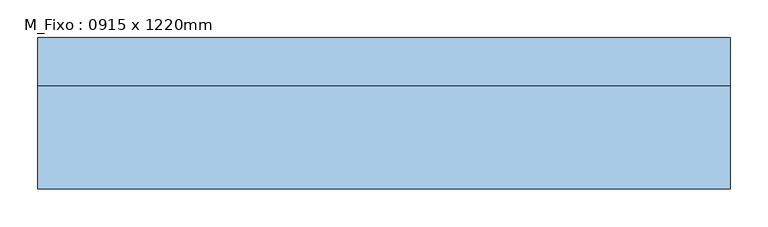
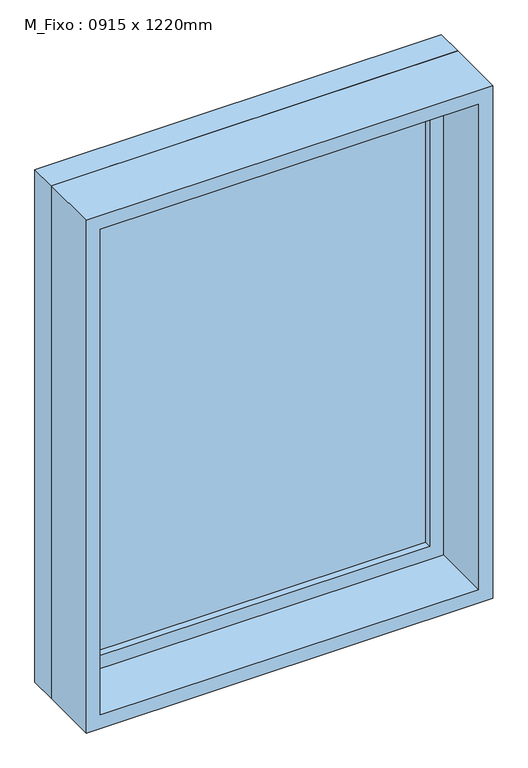
"""IFC4 building model written with IfcOpenShell, lengths in millimetres: window geometry, M_Fixo : 0915 x 1220mm."""

from ifc_helpers import new_model, si_unit, frame, origin, place, context, project, spatial, polyline, outline, extrude, source, transform, mapped, element, save


def m_fixo_0915_x_1220mm_488fb2fb(model_context):
    return source(origin(), model_context, "Body", "SweptSolid", [
        extrude(outline(polyline([(-394.5, 78.0), (394.5, 78.0), (394.5, 66.0), (-394.5, 66.0), (-394.5, 78.0)])), frame((0.0, 0.0, 978.0), z_axis=(0.0, 0.0, 1.0), x_axis=(1.0, 0.0, 0.0)), (0.0, 0.0, 1.0), 1094.0),
        extrude(outline(polyline([(2116.0, -438.5), (934.0, -438.5), (934.0, 438.5), (2116.0, 438.5), (2116.0, -438.5)]), holes=[polyline([(2072.0, -394.5), (2072.0, 394.5), (978.0, 394.5), (978.0, -394.5), (2072.0, -394.5)])]), frame((0.0, 50.0, 0.0), z_axis=(0.0, 1.0, 0.0), x_axis=(0.0, 0.0, 1.0)), (0.0, 0.0, 1.0), 44.0),
        extrude(outline(polyline([(2135.0, -457.5), (915.0, -457.5), (915.0, 457.5), (2135.0, 457.5), (2135.0, -457.5)]), holes=[polyline([(2116.0, -438.5), (2116.0, 438.5), (934.0, 438.5), (934.0, -438.5), (2116.0, -438.5)])]), frame((0.0, 50.0, 0.0), z_axis=(0.0, 1.0, 0.0), x_axis=(0.0, 0.0, 1.0)), (0.0, 0.0, 1.0), 63.0),
        extrude(outline(polyline([(2135.0, -457.5), (915.0, -457.5), (915.0, 457.5), (2135.0, 457.5), (2135.0, -457.5)]), holes=[polyline([(2103.0, -425.5), (2103.0, 425.5), (947.0, 425.5), (947.0, -425.5), (2103.0, -425.5)])]), frame((0.0, -87.0, 0.0), z_axis=(0.0, 1.0, 0.0), x_axis=(0.0, 0.0, 1.0)), (0.0, 0.0, 1.0), 137.0),
    ])


if __name__ == "__main__":
    model = new_model("IFC4")
    model_context = context("Model", 3, world=origin())
    ifc_project = project(units=[si_unit("LENGTHUNIT", "METRE", prefix="MILLI")], contexts=[model_context])
    site = spatial("IfcSite", under=ifc_project)
    building = spatial("IfcBuilding", under=site)
    placement = place(None, origin())
    m_fixo_0915_x_1220mm_shape = m_fixo_0915_x_1220mm_488fb2fb(model_context)
    element("IfcWindow", 1, ObjectType="M_Fixo : 0915 x 1220mm", at=placement, inside=building, context=model_context, shape_type="MappedRepresentation", body=[
        mapped(m_fixo_0915_x_1220mm_shape, transform((0.0, 0.0, 0.0), x_axis=(1.0, 0.0, 0.0), y_axis=(0.0, 1.0, 0.0), z_axis=(0.0, 0.0, 1.0))),
    ])
    save(model, "model.ifc")
